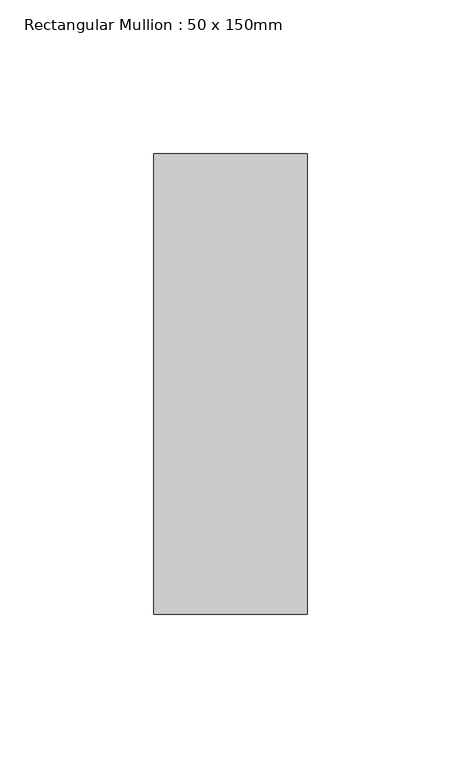
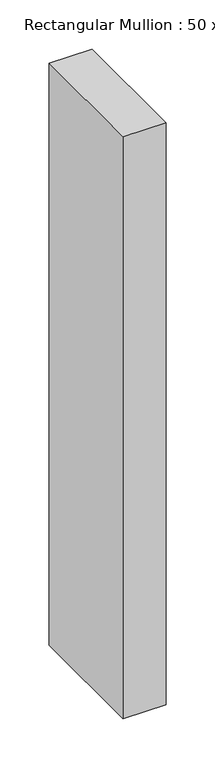
"""IFC4 building model written with IfcOpenShell, lengths in millimetres: member geometry, Rectangular Mullion : 50 x 150mm."""

from ifc_helpers import new_model, si_unit, frame, origin, place, context, project, spatial, polyline, outline, extrude, source, transform, mapped, element, save


def rectangular_mullion_50_x_150mm_68280b9f(model_context):
    return source(origin(), model_context, "Body", "SweptSolid", [
        extrude(outline(polyline([(0.0, 75.0), (0.0, -75.0), (-50.0, -75.0), (-50.0, 75.0), (0.0, 75.0)])), frame((0.0, 0.0, -720.0), z_axis=(0.0, 0.0, 1.0), x_axis=(1.0, 0.0, 0.0)), (0.0, 0.0, 1.0), 720.0),
    ])


if __name__ == "__main__":
    model = new_model("IFC4")
    model_context = context("Model", 3, world=origin())
    ifc_project = project(units=[si_unit("LENGTHUNIT", "METRE", prefix="MILLI")], contexts=[model_context])
    site = spatial("IfcSite", under=ifc_project)
    building = spatial("IfcBuilding", under=site)
    placement = place(None, origin())
    rectangular_mullion_50_x_150mm_shape = rectangular_mullion_50_x_150mm_68280b9f(model_context)
    element("IfcMember", 1, ObjectType="Rectangular Mullion : 50 x 150mm", at=placement, inside=building, context=model_context, shape_type="MappedRepresentation", body=[
        mapped(rectangular_mullion_50_x_150mm_shape, transform((0.0, 0.0, 0.0), x_axis=(1.0, 0.0, 0.0), y_axis=(0.0, 1.0, 0.0), z_axis=(0.0, 0.0, 1.0))),
    ])
    save(model, "model.ifc")
